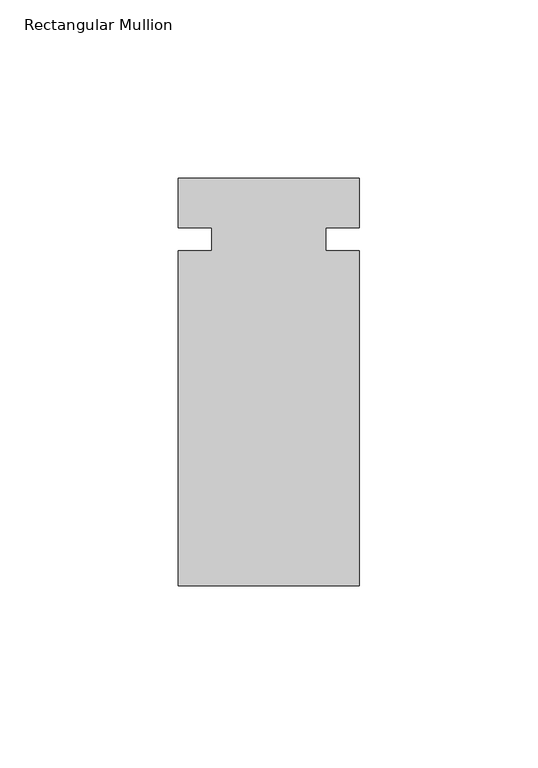
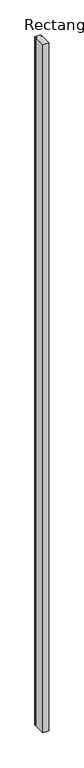
"""IFC4 building model written with IfcOpenShell, lengths in millimetres: member geometry, Rectangular Mullion."""

from ifc_helpers import new_model, si_unit, frame, origin, place, context, project, spatial, polyline, outline, extrude, source, transform, mapped, element, save


def rectangular_mullion_301fd470(model_context):
    return source(origin(), model_context, "Body", "SweptSolid", [
        extrude(outline(polyline([(25.4, 57.1603116), (25.4, 43.2490634), (15.97025, 43.2490634), (15.97025, 36.8990634), (25.4, 36.8990634), (25.4, -57.1396884), (-25.4, -57.1396884), (-25.4, 36.8990634), (-15.97025, 36.8990634), (-15.97025, 43.2490634), (-25.4, 43.2490634), (-25.4, 57.1603116), (25.4, 57.1603116)])), frame((0.0, 0.0, -6096.0), z_axis=(0.0, 0.0, 1.0), x_axis=(1.0, 0.0, 0.0)), (0.0, 0.0, 1.0), 6096.0),
    ])


if __name__ == "__main__":
    model = new_model("IFC4")
    model_context = context("Model", 3, world=origin())
    ifc_project = project(units=[si_unit("LENGTHUNIT", "METRE", prefix="MILLI")], contexts=[model_context])
    site = spatial("IfcSite", under=ifc_project)
    building = spatial("IfcBuilding", under=site)
    placement = place(None, origin())
    rectangular_mullion_shape = rectangular_mullion_301fd470(model_context)
    element("IfcMember", 1, ObjectType="Rectangular Mullion", at=placement, inside=building, context=model_context, shape_type="MappedRepresentation", body=[
        mapped(rectangular_mullion_shape, transform((0.0, 0.0, 0.0), x_axis=(1.0, 0.0, 0.0), y_axis=(0.0, 1.0, 0.0), z_axis=(0.0, 0.0, 1.0))),
    ])
    save(model, "model.ifc")
